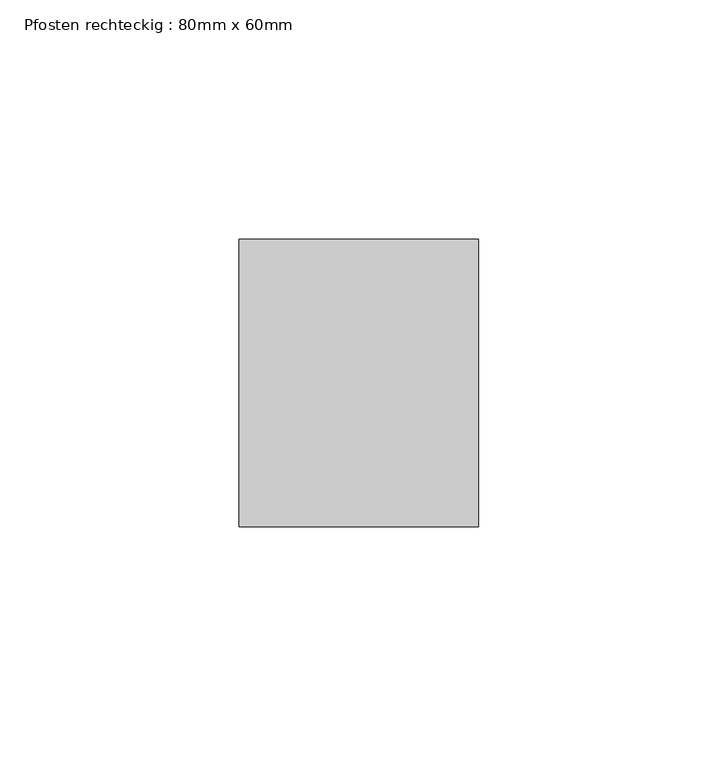
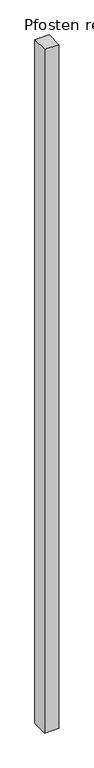
"""IFC4 building model written with IfcOpenShell, lengths in millimetres: member geometry, Pfosten rechteckig : 80mm x 60mm."""

from ifc_helpers import new_model, si_unit, frame, origin, place, context, project, spatial, polyline, outline, extrude, source, transform, mapped, element, save


def pfosten_rechteckig_80mm_x_60mm_0dc46e49(model_context):
    return source(origin(), model_context, "Body", "SweptSolid", [
        extrude(outline(polyline([(0.0, 30.0), (0.0, -30.0), (-50.0, -30.0), (-50.0, 30.0), (0.0, 30.0)])), frame((0.0, 0.0, -2550.0), z_axis=(0.0, 0.0, 1.0), x_axis=(1.0, 0.0, 0.0)), (0.0, 0.0, 1.0), 2550.0),
    ])


if __name__ == "__main__":
    model = new_model("IFC4")
    model_context = context("Model", 3, world=origin())
    ifc_project = project(units=[si_unit("LENGTHUNIT", "METRE", prefix="MILLI")], contexts=[model_context])
    site = spatial("IfcSite", under=ifc_project)
    building = spatial("IfcBuilding", under=site)
    placement = place(None, origin())
    pfosten_rechteckig_80mm_x_60mm_shape = pfosten_rechteckig_80mm_x_60mm_0dc46e49(model_context)
    element("IfcMember", 1, ObjectType="Pfosten rechteckig : 80mm x 60mm", at=placement, inside=building, context=model_context, shape_type="MappedRepresentation", body=[
        mapped(pfosten_rechteckig_80mm_x_60mm_shape, transform((0.0, 0.0, 0.0), x_axis=(1.0, 0.0, 0.0), y_axis=(0.0, 1.0, 0.0), z_axis=(0.0, 0.0, 1.0))),
    ])
    save(model, "model.ifc")
